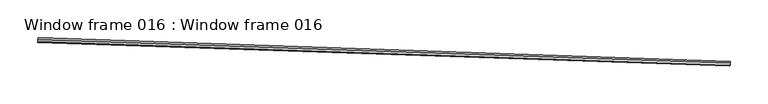
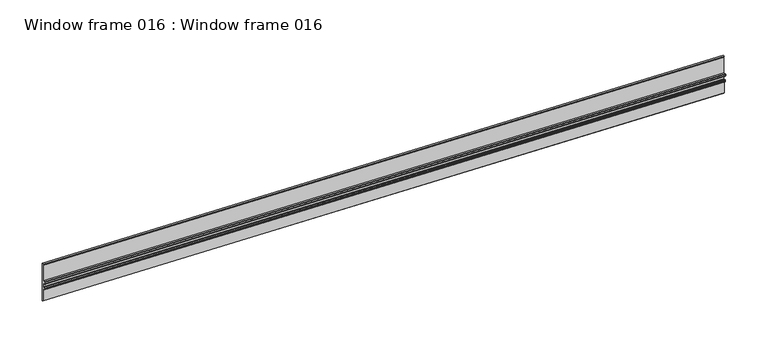
"""IFC4 building model written with IfcOpenShell, lengths in millimetres: proxy geometry, Window frame 016 : Window frame 016."""

from ifc_helpers import new_model, si_unit, point, frame, frame_2d, origin, place, context, project, spatial, polyline, circle_curve, trimmed, segment, composite_curve, outline, extrude, source, transform, mapped, element, save


def window_frame_016_window_frame_016_b1230e34(model_context):
    return source(origin(), model_context, "Body", "SweptSolid", [
        extrude(outline(composite_curve([segment(trimmed(circle_curve(frame_2d((0.0, -0.635)), 0.635), [point((0.0, 0.0))], [point((0.0, -1.27))], False, "CARTESIAN"), True, "CONTINUOUS"), segment(trimmed(circle_curve(frame_2d((0.0, -1.905)), 0.635), [point((0.0, -1.27))], [point((-0.635, -1.905))], True, "CARTESIAN"), True, "CONTINUOUS"), segment(polyline([(-0.635, -1.905), (-0.635, -2.9718001)]), True, "CONTINUOUS"), segment(trimmed(circle_curve(frame_2d((0.0, -2.9718001)), 0.635), [point((-0.635, -2.9718001))], [point((0.0, -3.6068001))], True, "CARTESIAN"), True, "CONTINUOUS"), segment(polyline([(0.0, -3.6068001), (6.2484, -3.6068001)]), True, "CONTINUOUS"), segment(trimmed(circle_curve(frame_2d((6.2484, -2.9718001)), 0.635), [point((6.2484, -3.6068001))], [point((6.8834, -2.9718001))], True, "CARTESIAN"), True, "CONTINUOUS"), segment(polyline([(6.8834, -2.9718001), (6.8834, -1.905)]), True, "CONTINUOUS"), segment(trimmed(circle_curve(frame_2d((6.2484, -1.905)), 0.635), [point((6.8834, -1.905))], [point((6.2484, -1.27))], True, "CARTESIAN"), True, "CONTINUOUS"), segment(trimmed(circle_curve(frame_2d((6.2484, -0.635)), 0.635), [point((6.2484, -1.27))], [point((6.2484, 0.0))], False, "CARTESIAN"), True, "CONTINUOUS"), segment(polyline([(6.2484, 0.0), (7.6708, 0.0)]), True, "CONTINUOUS"), segment(trimmed(circle_curve(frame_2d((7.6708, -0.7874001)), 0.7874), [point((7.6708, 0.0))], [point((8.4582, -0.7874001))], False, "CARTESIAN"), True, "CONTINUOUS"), segment(polyline([(8.4582, -0.7874001), (8.4582, -3.048), (26.2382, -3.048), (26.2382, -4.6228), (27.5082, -4.6228), (27.5082, -5.6388), (-26.4668, -5.6388), (-26.4668, -3.2766), (-24.892, -3.6068001), (-2.667, -3.6068001), (-2.667, -0.3844757), (-2.667, 0.7874), (-0.635, 0.7874), (0.0, 0.0)]), True, "CONTINUOUS")], self_intersect=False)), frame((34356.0001241, -15438.1592438, 2895.1583953), z_axis=(-0.9994149479165517, 0.03420178183890962, 1.4583022289738066e-12), x_axis=(-1.4574527762206506e-12, 0.0, -1.0)), (0.0, 0.0, 1.0), 914.4),
    ])


if __name__ == "__main__":
    model = new_model("IFC4")
    model_context = context("Model", 3, world=origin())
    ifc_project = project(units=[si_unit("LENGTHUNIT", "METRE", prefix="MILLI")], contexts=[model_context])
    site = spatial("IfcSite", under=ifc_project)
    building = spatial("IfcBuilding", under=site)
    placement = place(None, origin())
    window_frame_016_window_frame_016_shape = window_frame_016_window_frame_016_b1230e34(model_context)
    element("IfcBuildingElementProxy", 1, Name="Window frame 016 : Window frame 016", ObjectType="Window frame 016 : Window frame 016", at=placement, inside=building, context=model_context, shape_type="MappedRepresentation", body=[
        mapped(window_frame_016_window_frame_016_shape, transform((0.0, 0.0, 0.0), x_axis=(1.0, 0.0, 0.0), y_axis=(0.0, 1.0, 0.0), z_axis=(0.0, 0.0, 1.0))),
    ])
    save(model, "model.ifc")
